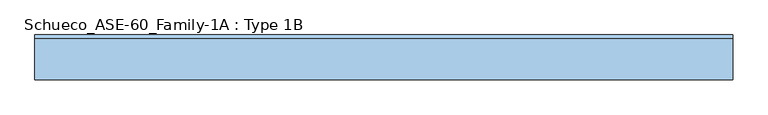
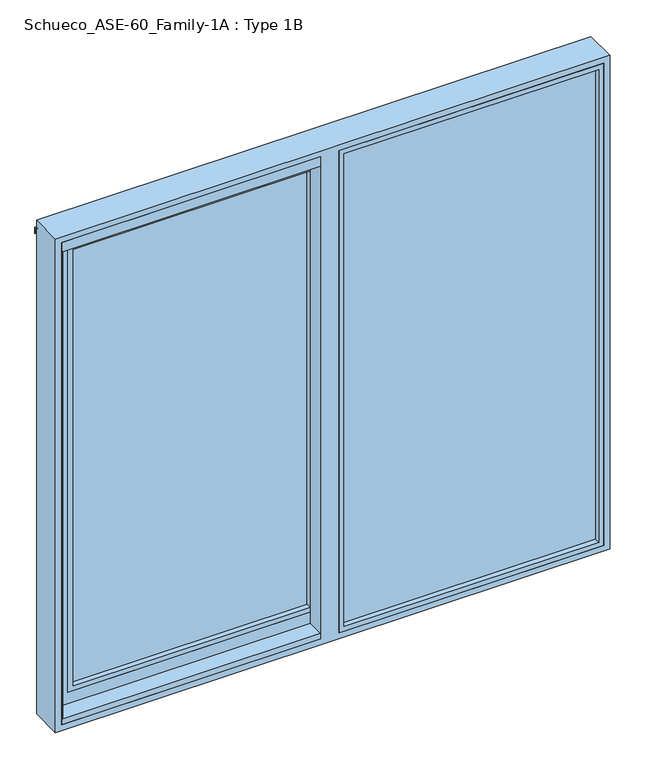
"""IFC4 building model written with IfcOpenShell, lengths in millimetres: window geometry, Schueco_ASE-60_Family-1A : Type 1B."""

import ifcopenshell
import ifcopenshell.guid

model = None  # the IFC model being written
_history = None  # IfcOwnerHistory: only IFC2X3 demands one
_inside = {}  # id of a spatial element -> (the spatial element, [elements in it])
_under = {}  # id of a project, library or spatial element -> (it, [spatial elements below it])
_declared = {}  # id of a project -> (the project, [libraries it declares])
_typed = {}  # id of a type object -> (the type object, [elements of that type])
_made_of = {}  # id of a material, layer set ... -> (it, [elements and type objects made of it])


def new_model(schema):
    """Start an empty IFC model of exactly this schema.

    Asked for "IFC4X3", IfcOpenShell would pick the latest addendum, in which some entities
    have other attributes; the version numbers below select the first issue.
    IFC2X3 requires an IfcOwnerHistory on every rooted entity: one is made here for all.
    """
    global model, _history
    if schema == "IFC4X3":
        model = ifcopenshell.file(schema_version=(4, 3, 0, 0))
    else:
        model = ifcopenshell.file(schema=schema)
    _inside.clear()
    _under.clear()
    _declared.clear()
    _typed.clear()
    _made_of.clear()
    _history = None
    if model.schema == "IFC2X3":
        org = make("IfcOrganization", Name="unknown")
        user = make(
            "IfcPersonAndOrganization",
            ThePerson=make("IfcPerson", FamilyName="unknown"),
            TheOrganization=org,
        )
        app = make(
            "IfcApplication",
            ApplicationDeveloper=org,
            Version="unknown",
            ApplicationFullName="unknown",
            ApplicationIdentifier="unknown",
        )
        _history = make(
            "IfcOwnerHistory",
            OwningUser=user,
            OwningApplication=app,
            ChangeAction="ADDED",
            CreationDate=0,
        )
    return model


def make(cls, **values):
    """One entity of the class cls with the attributes given. An attribute that is None is left unset."""
    return model.create_entity(
        cls, **{name: value for name, value in values.items() if value is not None}
    )


def rooted(cls, **values):
    """An entity with a GlobalId (a new one), such as an element, a storey or a relation."""
    return make(cls, GlobalId=ifcopenshell.guid.new(), OwnerHistory=_history, **values)


def si_unit(unit_type, name, prefix=None):
    """IfcSIUnit, for example si_unit("LENGTHUNIT", "METRE", prefix="MILLI")."""
    return make("IfcSIUnit", UnitType=unit_type, Prefix=prefix, Name=name)


def assignment(units):
    """IfcUnitAssignment: the units of a project."""
    return None if units is None else make("IfcUnitAssignment", Units=units)


def point(xyz):
    """IfcCartesianPoint."""
    return None if xyz is None else make("IfcCartesianPoint", Coordinates=xyz)


def direction(xyz):
    """IfcDirection."""
    return None if xyz is None else make("IfcDirection", DirectionRatios=xyz)


def frame(location, z_axis=None, x_axis=None):
    """IfcAxis2Placement3D, a coordinate frame: its origin and axes. An axis left out is left unset."""
    return make(
        "IfcAxis2Placement3D",
        Location=point(location),
        Axis=direction(z_axis),
        RefDirection=direction(x_axis),
    )


def origin():
    """The frame at (0, 0, 0) with its axes left unset."""
    return frame((0.0, 0.0, 0.0))


def origin_with_axes():
    """The frame at (0, 0, 0) with the z axis (0, 0, 1) and the x axis (1, 0, 0) written out."""
    return frame((0.0, 0.0, 0.0), z_axis=(0.0, 0.0, 1.0), x_axis=(1.0, 0.0, 0.0))


def place(relative_to, where):
    """IfcLocalPlacement: puts the frame where relative to a parent placement (None: the world)."""
    return make(
        "IfcLocalPlacement", PlacementRelTo=relative_to, RelativePlacement=where
    )


def context(
    kind, dimensions, precision=None, world=None, true_north=None, identifier=None
):
    """IfcGeometricRepresentationContext, for example the 3D "Model" context."""
    return make(
        "IfcGeometricRepresentationContext",
        ContextIdentifier=identifier,
        ContextType=kind,
        CoordinateSpaceDimension=dimensions,
        Precision=precision,
        WorldCoordinateSystem=world,
        TrueNorth=true_north,
    )


def project(units=None, contexts=None):
    """IfcProject with its units and contexts."""
    return rooted(
        "IfcProject",
        Name="project",
        RepresentationContexts=contexts,
        UnitsInContext=assignment(units),
    )


def spatial(cls, under=None, at=None, **own):
    """A site, building, storey or space (cls), placed at a placement, below another one or the project."""
    s = rooted(cls, ObjectPlacement=at, **own)
    if under is not None:
        _under.setdefault(under.id(), (under, []))[1].append(s)
    return s


def polyline(points):
    """IfcPolyline through the points."""
    return make("IfcPolyline", Points=[point(p) for p in points])


def outline(outer, holes=None, kind="AREA"):
    """IfcArbitraryClosedProfileDef: a profile drawn as a closed curve; with holes, ...WithVoids."""
    if holes is None:
        return make("IfcArbitraryClosedProfileDef", ProfileType=kind, OuterCurve=outer)
    return make(
        "IfcArbitraryProfileDefWithVoids",
        ProfileType=kind,
        OuterCurve=outer,
        InnerCurves=holes,
    )


def extrude(swept, where, along, depth):
    """IfcExtrudedAreaSolid: the profile swept, set in the frame where, extruded along a direction by depth."""
    return make(
        "IfcExtrudedAreaSolid",
        SweptArea=swept,
        Position=where,
        ExtrudedDirection=direction(along),
        Depth=depth,
    )


def faces_of(points, faces, orient=None, outer=None):
    """IfcFace entities. A face is a list of loops; a loop is a list of indices into points, from 0.

    orient and outer hold one flag for each loop. By default every Orientation is true, the
    first loop of a face is its IfcFaceOuterBound and the others are IfcFaceBound.
    """
    made = []
    for i, loops in enumerate(faces):
        bounds = []
        for j, loop in enumerate(loops):
            is_outer = j == 0 if outer is None else outer[i][j]
            bounds.append(
                make(
                    "IfcFaceOuterBound" if is_outer else "IfcFaceBound",
                    Bound=make("IfcPolyLoop", Polygon=[points[k] for k in loop]),
                    Orientation=True if orient is None else orient[i][j],
                )
            )
        made.append(make("IfcFace", Bounds=bounds))
    return made


def faceted_brep(points, faces, orient=None, outer=None, voids=None):
    """IfcFacetedBrep: a solid bounded by flat faces; with voids (closed shells), ...WithVoids."""
    shared = [point(p) for p in points]
    hull = make("IfcClosedShell", CfsFaces=faces_of(shared, faces, orient, outer))
    if voids is None:
        return make("IfcFacetedBrep", Outer=hull)
    return make(
        "IfcFacetedBrepWithVoids",
        Outer=hull,
        Voids=[
            make(cls, CfsFaces=faces_of(shared, fs, o, b)) for cls, fs, o, b in voids
        ],
    )


def shape(context_of_items, identifier, shape_type, items):
    """IfcShapeRepresentation: the items that make up one representation, for example the "Body"."""
    return make(
        "IfcShapeRepresentation",
        ContextOfItems=context_of_items,
        RepresentationIdentifier=identifier,
        RepresentationType=shape_type,
        Items=items,
    )


def source(mapping_origin, context_of_items, identifier, shape_type, items):
    """IfcRepresentationMap: a shape defined once, which mapped items show again and again."""
    return make(
        "IfcRepresentationMap",
        MappingOrigin=mapping_origin,
        MappedRepresentation=shape(context_of_items, identifier, shape_type, items),
    )


def transform(
    local_origin,
    x_axis=None,
    y_axis=None,
    z_axis=None,
    scale=None,
    scale2=None,
    scale3=None,
    uniform=True,
):
    """IfcCartesianTransformationOperator3D, or its non-uniform kind. x_axis, y_axis, z_axis: its Axis1, 2, 3."""
    if uniform:
        return make(
            "IfcCartesianTransformationOperator3D",
            Axis1=direction(x_axis),
            Axis2=direction(y_axis),
            LocalOrigin=point(local_origin),
            Scale=scale,
            Axis3=direction(z_axis),
        )
    return make(
        "IfcCartesianTransformationOperator3DnonUniform",
        Axis1=direction(x_axis),
        Axis2=direction(y_axis),
        LocalOrigin=point(local_origin),
        Scale=scale,
        Axis3=direction(z_axis),
        Scale2=scale2,
        Scale3=scale3,
    )


def mapped(mapping_source, mapping_target):
    """IfcMappedItem: shows the shape of a source again, moved by a transform."""
    return make(
        "IfcMappedItem", MappingSource=mapping_source, MappingTarget=mapping_target
    )


def made_of(thing, what):
    """Note that an element or type object is made of a material, layer set ...; save() writes the relation."""
    if what is not None:
        _made_of.setdefault(what.id(), (what, []))[1].append(thing)
    return thing


def element(
    cls,
    number,
    at=None,
    inside=None,
    cuts=None,
    type_object=None,
    material=None,
    context=None,
    identifier="Body",
    shape_type=None,
    held_by="IfcProductDefinitionShape",
    body=None,
    shapes=None,
    **own,
):
    """One element of the class cls, such as IfcWall. Its Tag is "e" and its number.

    at: its placement. inside: the storey or other place that contains it. cuts: it is an
    opening in that element (IfcRelVoidsElement). A single representation is given by context,
    identifier, shape_type and body (its items); several are given by shapes. held_by: the class
    of the entity that holds the representations. save() writes the other relations.
    """
    e = rooted(cls, Tag="e%d" % number, ObjectPlacement=at, **own)
    if body is not None:
        shapes = [shape(context, identifier, shape_type, body)]
    if shapes is not None:
        e.Representation = make(held_by, Representations=shapes)
    if inside is not None:
        _inside.setdefault(inside.id(), (inside, []))[1].append(e)
    if cuts is not None:
        rooted(
            "IfcRelVoidsElement", RelatingBuildingElement=cuts, RelatedOpeningElement=e
        )
    if type_object is not None:
        _typed.setdefault(type_object.id(), (type_object, []))[1].append(e)
    return made_of(e, material)


def aggregate(whole, parts):
    """IfcRelAggregates: a whole, such as a stair, and the parts it consists of."""
    return rooted("IfcRelAggregates", RelatingObject=whole, RelatedObjects=parts)


def save(model, path):
    """Write the relations noted so far, then the file.

    IfcRelAggregates (storeys below a building ...), IfcRelContainedInSpatialStructure (elements
    in a storey), IfcRelDefinesByType, IfcRelAssociatesMaterial and IfcRelDeclares: one each for
    every whole, place, type object, material and project.
    """
    for whole, parts in _under.values():
        aggregate(whole, parts)
    for where, things in _inside.values():
        rooted(
            "IfcRelContainedInSpatialStructure",
            RelatedElements=things,
            RelatingStructure=where,
        )
    for kind, things in _typed.values():
        rooted("IfcRelDefinesByType", RelatedObjects=things, RelatingType=kind)
    for what, things in _made_of.values():
        rooted("IfcRelAssociatesMaterial", RelatedObjects=things, RelatingMaterial=what)
    for by, libraries in _declared.values():
        rooted("IfcRelDeclares", RelatingContext=by, RelatedDefinitions=libraries)
    model.write(path)


def schueco_ase_60_family_1a_type_1b_b0b2055a(model_context):
    return source(origin(), model_context, "Body", "SolidModel", [
        extrude(outline(polyline([(51.0016879, 80.0), (51.0016879, 4.0000255), (9.48e-05, 4.0000255), (9.48e-05, 20.0000255), (47.2016228, 20.0000255), (47.2016228, 74.5), (31.0017184, 74.5), (31.0017184, 80.0), (51.0016879, 80.0)])), frame((0.0, 0.0, -11.0017184), z_axis=(0.0, 0.0, 1.0), x_axis=(1.0, 0.0, 0.0)), (0.0, 0.0, 1.0), 2142.0034368),
        extrude(outline(polyline([(2071.0, -1090.0), (49.0, -1090.0), (49.0, -29.0), (2071.0, -29.0), (2071.0, -1090.0)]), holes=[polyline([(2048.987351, -51.012649), (71.012649, -51.012649), (71.012649, -1067.987351), (2048.987351, -1067.987351), (2048.987351, -51.012649)])]), frame((0.0, 20.0000255, 0.0), z_axis=(0.0, 1.0, 0.0), x_axis=(0.0, 0.0, 1.0)), (0.0, 0.0, 1.0), 22.9999656),
        extrude(outline(polyline([(-1090.0, 68.9999911), (-29.0, 68.9999911), (-29.0, 42.9999911), (-1090.0, 42.9999911), (-1090.0, 68.9999911)])), frame((0.0, 0.0, 49.0), z_axis=(0.0, 0.0, 1.0), x_axis=(1.0, 0.0, 0.0)), (0.0, 0.0, 1.0), 2022.0),
        faceted_brep([(-51.0, 68.9999911, 2049.0), (-51.0, 80.0, 2049.0), (-51.0, 80.0, 71.0), (-51.0, 68.9999911, 71.0), (31.0017184, 80.0, 2131.0017184), (31.0017184, 80.0, -11.0017184), (-1150.0017184, 80.0, -11.0017184), (-1150.0017184, 80.0, 2131.0017184), (-1068.0, 80.0, 2049.0), (-1068.0, 80.0, 71.0), (-1068.0, 68.9999911, 71.0), (-1090.0, 68.9999911, 2071.0), (-1090.0, 68.9999911, 49.0), (-29.0, 68.9999911, 49.0), (-29.0, 68.9999911, 2071.0), (-1068.0, 68.9999911, 2049.0), (-29.0, 20.0000255, 2071.0), (-29.0, 20.0000255, 49.0), (-1090.0, 20.0000255, 49.0), (-1150.0, 20.0000255, 2131.0), (-1150.0, 20.0000255, -11.0), (31.0, 20.0000255, -11.0), (31.0, 20.0000255, 2131.0), (-1090.0, 20.0000255, 2071.0), (31.0, 25.5000255, 2131.0), (31.0, 25.5000255, -11.0), (-1150.0, 25.5000255, -11.0), (-1150.0, 25.5000255, 2131.0), (-1120.0, 25.5000255, 2101.0), (-1120.0, 25.5000255, 19.0), (1.0, 25.5000255, 19.0), (1.0, 25.5000255, 2101.0), (1.0, 74.5000332, 2101.0), (1.0, 74.5000332, 19.0), (-1120.0, 74.5000332, 19.0), (-1150.0017184, 74.5000332, 2131.0017184), (-1150.0017184, 74.5000332, -11.0017184), (31.0017184, 74.5000332, -11.0017184), (31.0017184, 74.5000332, 2131.0017184), (-1120.0, 74.5000332, 2101.0)], [[[0, 1, 2, 3]], [[4, 5, 6, 7], [8, 9, 2, 1]], [[3, 2, 9, 10]], [[11, 12, 13, 14], [0, 3, 10, 15]], [[16, 14, 13, 17]], [[17, 13, 12, 18]], [[19, 20, 21, 22], [16, 17, 18, 23]], [[24, 22, 21, 25]], [[25, 21, 20, 26]], [[24, 25, 26, 27], [28, 29, 30, 31]], [[32, 31, 30, 33]], [[33, 30, 29, 34]], [[35, 36, 37, 38], [32, 33, 34, 39]], [[4, 38, 37, 5]], [[5, 37, 36, 6]], [[10, 9, 8, 15]], [[18, 12, 11, 23]], [[26, 20, 19, 27]], [[34, 29, 28, 39]], [[6, 36, 35, 7]], [[15, 8, 1, 0]], [[23, 11, 14, 16]], [[27, 19, 22, 24]], [[39, 28, 31, 32]], [[7, 35, 38, 4]]]),
        extrude(outline(polyline([(1139.0, 5.0), (1139.0, 80.0), (1150.0, 80.0), (1150.0, 71.2), (1142.0, 68.2882381), (1142.0, 9.0), (1158.0007202, 9.0), (1158.0007202, 5.0), (1139.0, 5.0)])), frame((0.0, 0.0, -19.0), z_axis=(0.0, 0.0, 1.0), x_axis=(1.0, 0.0, 0.0)), (0.0, 0.0, 1.0), 2174.2007202),
        extrude(outline(polyline([(27.0000305, -10.9998071), (1164.0, -10.9998071), (1164.0, -36.9998071), (27.0000305, -36.9998071), (27.0000305, -10.9998071)])), frame((0.0, 0.0, -25.0), z_axis=(0.0, 0.0, 1.0), x_axis=(1.0, 0.0, 0.0)), (0.0, 0.0, 1.0), 2189.0),
        extrude(outline(polyline([(2164.0, 27.0000305), (-25.0, 27.0000305), (-25.0, 1164.0), (2164.0, 1164.0), (2164.0, 27.0000305)]), holes=[polyline([(2141.9998171, 1141.9998171), (-2.9998171, 1141.9998171), (-2.9998171, 49.0002134), (2141.9998171, 49.0002134), (2141.9998171, 1141.9998171)])]), frame((0.0, -60.0, 0.0), z_axis=(0.0, 1.0, 0.0), x_axis=(0.0, 0.0, 1.0)), (0.0, 0.0, 1.0), 23.0001929),
        extrude(outline(polyline([(-1158.999904, -60.0), (-1164.0, -60.0), (-1164.0, -41.7002059), (-1153.7767036, -41.7002059), (-1142.0, -16.4449835), (-1142.0, 10.9997941), (-1158.0007202, 10.9997941), (-1158.0007202, 14.9997941), (-1139.0, 14.9997941), (-1139.0, -17.1100675), (-1158.999904, -60.0)])), origin_with_axes(), (0.0, 0.0, 1.0), 2120.9),
        faceted_brep([(1190.0, 80.0, -51.0), (1190.0, -60.0, -51.0), (-1190.0, -60.0, -51.0), (-1190.0, 80.0, -51.0), (1190.0, 80.0, 2190.0), (1190.0, -60.0, 2190.0), (-1190.0, -60.0, 2190.0), (1164.0, -60.0, 2164.0), (1164.0, -60.0, -25.0), (27.0000305, -60.0, -25.0), (27.0000305, -60.0, 2164.0), (-1164.0, -60.0, 2164.0), (-51.0, -60.0, 2164.0), (-51.0, -60.0, -25.0), (-1164.0, -60.0, -25.0), (-1190.0, 80.0, 2190.0), (1142.0, 0.0, -3.0), (1142.0, -10.9998071, -3.0), (1142.0, -10.9998071, 2142.0), (1142.0, 0.0, 2142.0), (-1164.0, -10.9998071, -25.0), (-1164.0, -10.9998071, 2164.0), (1164.0, -10.9998071, -25.0), (1164.0, -10.9998071, 2164.0), (27.0000305, -10.9998071, -25.0), (-51.0, -10.9998071, -25.0), (1158.0007202, 0.0, 2155.2007202), (1158.0007202, 0.0, -25.0), (0.0, 0.0, -25.0), (0.0, 0.0, 2155.2007202), (51.0, 0.0, 2142.0), (51.0, 0.0, -3.0), (-1142.0, 0.0, 2142.0), (-1142.0, 0.0, -3.0), (-51.0, 0.0, -3.0), (-51.0, 0.0, -25.0), (-1158.0007202, 0.0, -25.0), (-1158.0007202, 0.0, 2155.2007202), (-51.0, 0.0, 2155.2007202), (-51.0, 0.0, 2142.0), (1158.0007202, 28.7999745, -25.0), (1158.0007202, 28.7999745, 2155.2007202), (-1158.0007202, 28.7999745, -25.0), (-1158.0007202, 28.7999745, 2155.2007202), (1150.0007202, 28.7999745, -11.0007902), (-1150.0007202, 28.7999745, -11.0007902), (-1150.0007202, 28.7999745, 2155.2007202), (1150.0007202, 28.7999745, 2155.2007202), (1141.9999672, 31.7120105, -3.0000372), (-1141.9999314, 31.7120239, -3.0000002), (-1141.9999979, 31.7119993, 2122.0), (-1146.7036773, 30.0, 2122.0), (-1146.7036773, 30.0, 2129.2), (-1141.9999982, 31.7119992, 2130.9119992), (-1141.9999989, 31.7119989, 2155.2007202), (1142.0, 31.7119985, 2155.2007202), (1142.0, 31.7119985, 2130.9119985), (1146.7036773, 30.0, 2129.2), (1146.7036773, 30.0, 2122.0), (1142.0, 31.7119985, 2122.0), (1142.0, 35.8, 2155.2007202), (1142.0, 35.8, 2135.0), (1142.0, 68.2882381, -3.0), (1142.0, 68.2882381, 2122.0), (1142.0, 68.2882381, 2142.0), (1142.0, 68.2882381, 2130.9117619), (1142.0, 64.2, 2135.0), (1142.0, 64.2, 2142.0), (-1142.0, 68.2882381, -3.0), (1150.0, 71.2, -11.0), (1146.7030271, 70.0, 2122.0), (1146.7030271, 70.0, 2129.2), (1150.0, 71.2, 2150.0), (-1150.0, 71.2, -11.0), (1158.0, 71.2, -19.0), (-1158.0, 71.2, -19.0), (-1158.0, 71.2, 2157.5), (1158.0, 71.2, 2157.5), (-1150.0, 71.2, 2150.0), (-1142.0, 68.2882381, 2142.0), (-1142.0, 68.2882381, 2130.9117619), (-1146.7030271, 70.0, 2129.2), (-1146.7030271, 70.0, 2122.0), (-1142.0, 68.2882381, 2122.0), (1158.0, 80.0, -19.0), (-1158.0, 80.0, -19.0), (-1158.0, 80.0, 2157.5), (1158.0, 80.0, 2157.5), (-1142.0, 64.2, 2142.0), (-1142.0, 64.2, 2135.0), (-1142.0, 35.8, 2135.0), (-1142.0, 35.8, 2155.2007202), (-1142.0, -10.9998071, -3.0), (-1142.0, -10.9998071, 2142.0), (27.0000305, -10.9998071, 2164.0), (51.0, -10.9998071, -3.0), (51.0, -10.9998071, 2142.0), (-51.0, -10.9998071, 2142.0), (-51.0, -10.9998071, 2164.0), (-51.0, -10.9998071, -3.0), (0.0, 16.0, 2155.2007202), (-51.0, 16.0, 2155.2007202), (-51.0, 16.0, -25.0), (0.0, 16.0, -25.0)], [[[0, 1, 2, 3]], [[4, 5, 1, 0]], [[6, 2, 1, 5], [7, 8, 9, 10], [11, 12, 13, 14]], [[3, 2, 6, 15]], [[16, 17, 18, 19]], [[14, 20, 21, 11]], [[22, 8, 7, 23]], [[8, 22, 24, 9]], [[20, 14, 13, 25]], [[26, 27, 28, 29], [16, 19, 30, 31]], [[32, 33, 34, 35, 36, 37, 38, 39]], [[40, 27, 26, 41]], [[36, 42, 43, 37]], [[44, 45, 46, 43, 42, 40, 41, 47]], [[44, 48, 49, 45]], [[45, 49, 50, 51, 52, 53, 54, 46]], [[48, 44, 47, 55, 56, 57, 58, 59]], [[56, 55, 60, 61]], [[62, 48, 59, 63]], [[64, 65, 66, 67]], [[48, 62, 68, 49]], [[69, 62, 63, 70, 71, 65, 64, 72]], [[62, 69, 73, 68]], [[74, 75, 76, 77], [73, 69, 72, 78]], [[68, 73, 78, 79, 80, 81, 82, 83]], [[74, 84, 85, 75]], [[75, 85, 86, 76]], [[84, 74, 77, 87]], [[49, 68, 83, 50]], [[80, 79, 88, 89]], [[54, 53, 90, 91]], [[92, 33, 32, 93]], [[22, 23, 94, 24], [18, 17, 95, 96]], [[92, 93, 97, 98, 21, 20, 25, 99]], [[6, 5, 4, 15]], [[11, 21, 98, 12]], [[94, 23, 7, 10]], [[91, 60, 55, 47, 41, 26, 29, 100, 101, 38, 37, 43, 46, 54]], [[52, 57, 56, 61, 90, 53]], [[51, 58, 57, 52]], [[82, 70, 63, 59, 58, 51, 50, 83]], [[90, 61, 60, 91]], [[89, 66, 65, 71, 81, 80]], [[88, 67, 66, 89]], [[79, 64, 67, 88]], [[81, 71, 70, 82]], [[78, 72, 64, 79]], [[86, 87, 77, 76]], [[0, 3, 15, 4], [85, 84, 87, 86]], [[17, 16, 31, 95]], [[33, 92, 99, 34]], [[28, 27, 40, 42, 36, 35, 102, 103]], [[19, 18, 96, 30]], [[93, 32, 39, 97]], [[13, 12, 98, 97, 39, 38, 101, 102, 35, 34, 99, 25]], [[10, 9, 24, 94]], [[96, 95, 31, 30]], [[29, 28, 103, 100]], [[100, 103, 102, 101]]]),
        extrude(outline(polyline([(71.2000255, 2150.5), (71.2000255, 2157.5), (79.9996967, 2157.5), (92.6000233, 2150.225198), (92.6000233, 2121.5), (91.0000233, 2121.5), (91.0000233, 2149.0706861), (88.5243789, 2150.5), (71.2000255, 2150.5)])), frame((-1190.0, 0.0, 0.0), z_axis=(1.0, 0.0, 0.0), x_axis=(0.0, 1.0, 0.0)), (0.0, 0.0, 1.0), 2380.0),
        extrude(outline(polyline([(16.0, 0.0), (16.0, -11.0), (7.2, -11.0), (7.2, -3.0), (-40.5987802, -3.0), (-40.5987802, -25.0), (-60.0, -25.0), (-60.0, 0.0), (16.0, 0.0)])), frame((-1164.0, 0.0, 0.0), z_axis=(1.0, 0.0, 0.0), x_axis=(0.0, 1.0, 0.0)), (0.0, 0.0, 1.0), 1113.0),
        extrude(outline(polyline([(-60.0, 2120.9), (-60.0, 2164.0), (-40.6, 2164.0), (-40.6, 2131.0), (-10.9998071, 2131.0), (-10.9998071, 2142.0), (0.0, 2142.0), (0.0, 2131.0), (16.0, 2131.0), (16.0, 2120.9), (-60.0, 2120.9)])), frame((-1164.0, 0.0, 0.0), z_axis=(1.0, 0.0, 0.0), x_axis=(0.0, 1.0, 0.0)), (0.0, 0.0, 1.0), 1113.0),
    ])


if __name__ == "__main__":
    model = new_model("IFC4")
    model_context = context("Model", 3, world=origin())
    ifc_project = project(units=[si_unit("LENGTHUNIT", "METRE", prefix="MILLI")], contexts=[model_context])
    site = spatial("IfcSite", under=ifc_project)
    building = spatial("IfcBuilding", under=site)
    placement = place(None, origin())
    schueco_ase_60_family_1a_type_1b_shape = schueco_ase_60_family_1a_type_1b_b0b2055a(model_context)
    element("IfcWindow", 1, ObjectType="Schueco_ASE-60_Family-1A : Type 1B", at=placement, inside=building, context=model_context, shape_type="MappedRepresentation", body=[
        mapped(schueco_ase_60_family_1a_type_1b_shape, transform((0.0, 0.0, 0.0), x_axis=(1.0, 0.0, 0.0), y_axis=(0.0, 1.0, 0.0), z_axis=(0.0, 0.0, 1.0))),
    ])
    save(model, "model.ifc")
